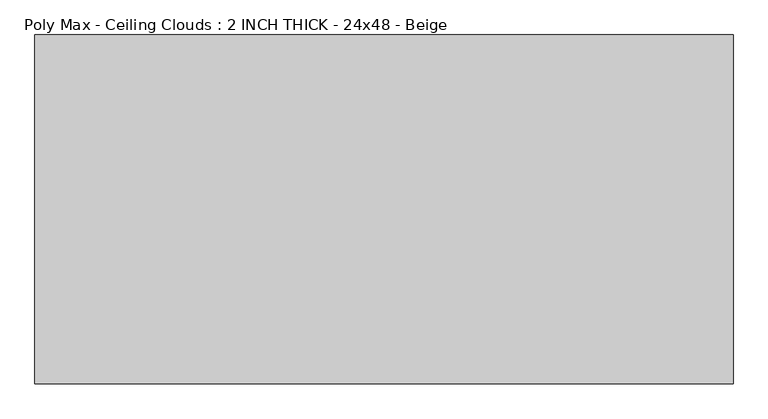
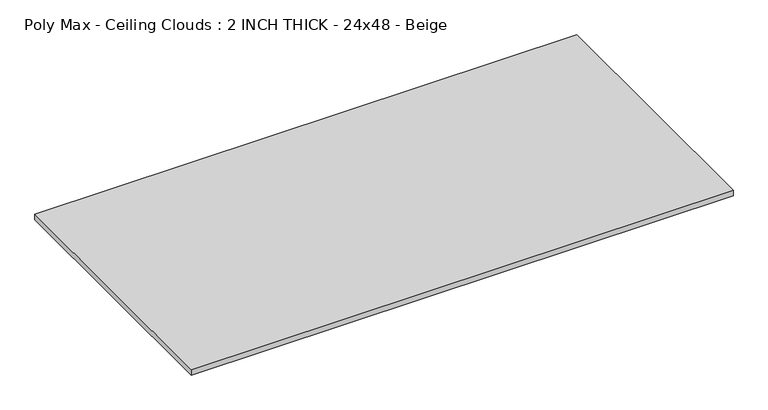
"""IFC4 building model written with IfcOpenShell, lengths in millimetres: proxy geometry, Poly Max - Ceiling Clouds : 2 INCH THICK - 24x48 - Beige."""

from ifc_helpers import new_model, si_unit, origin, origin_with_axes, place, context, project, spatial, polyline, outline, extrude, source, transform, mapped, element, save


def poly_max_ceiling_clouds_2_inch_thick_24x48_beige_80974cae(model_context):
    return source(origin(), model_context, "Body", "SweptSolid", [
        extrude(outline(polyline([(-609.6, 304.8), (609.6, 304.8), (609.6, -304.8), (-609.6, -304.8), (-609.6, 304.8)])), origin_with_axes(), (0.0, 0.0, 1.0), 12.7),
    ])


if __name__ == "__main__":
    model = new_model("IFC4")
    model_context = context("Model", 3, world=origin())
    ifc_project = project(units=[si_unit("LENGTHUNIT", "METRE", prefix="MILLI")], contexts=[model_context])
    site = spatial("IfcSite", under=ifc_project)
    building = spatial("IfcBuilding", under=site)
    placement = place(None, origin())
    poly_max_ceiling_clouds_2_inch_thick_24x48_beige_shape = poly_max_ceiling_clouds_2_inch_thick_24x48_beige_80974cae(model_context)
    element("IfcBuildingElementProxy", 1, Name="Poly Max - Ceiling Clouds : 2 INCH THICK - 24x48 - Beige", ObjectType="Poly Max - Ceiling Clouds : 2 INCH THICK - 24x48 - Beige", at=placement, inside=building, context=model_context, shape_type="MappedRepresentation", body=[
        mapped(poly_max_ceiling_clouds_2_inch_thick_24x48_beige_shape, transform((0.0, 0.0, 0.0), x_axis=(1.0, 0.0, 0.0), y_axis=(0.0, 1.0, 0.0), z_axis=(0.0, 0.0, 1.0))),
    ])
    save(model, "model.ifc")
